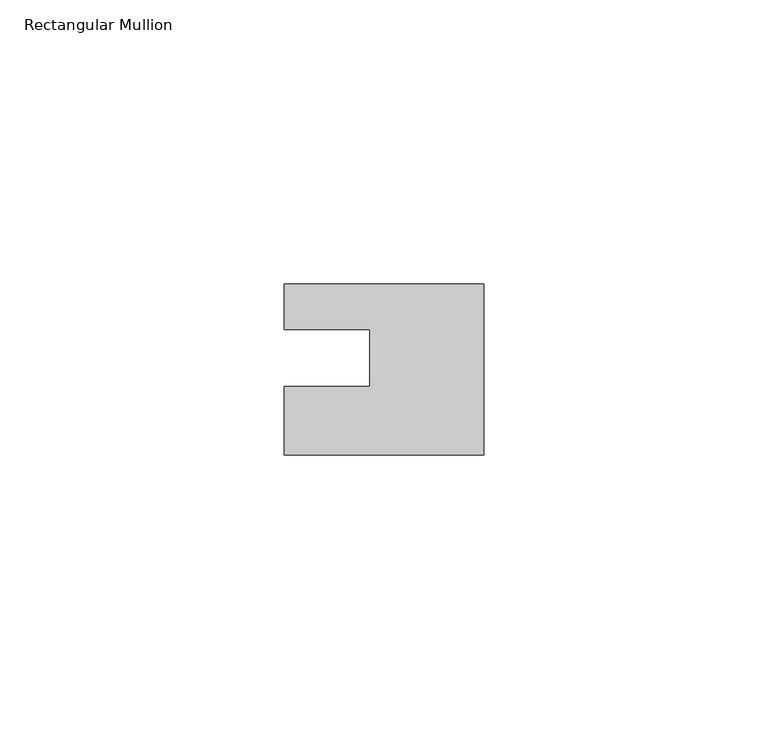
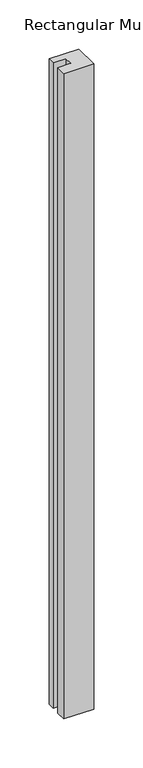
"""IFC4 building model written with IfcOpenShell, lengths in millimetres: member geometry, Rectangular Mullion."""

from ifc_helpers import new_model, si_unit, frame, origin, place, context, project, spatial, polyline, outline, extrude, source, transform, mapped, element, save


def rectangular_mullion_8fdf1af1(model_context):
    return source(origin(), model_context, "Body", "SweptSolid", [
        extrude(outline(polyline([(0.0, 7.94), (0.0, -22.06), (-35.0, -22.06), (-35.0, -10.0), (-20.0, -10.0), (-20.0, 0.001), (-35.0, 0.001), (-35.0, 7.94), (0.0, 7.94)])), frame((0.0, 0.0, -802.0), z_axis=(0.0, 0.0, 1.0), x_axis=(1.0, 0.0, 0.0)), (0.0, 0.0, 1.0), 802.0),
    ])


if __name__ == "__main__":
    model = new_model("IFC4")
    model_context = context("Model", 3, world=origin())
    ifc_project = project(units=[si_unit("LENGTHUNIT", "METRE", prefix="MILLI")], contexts=[model_context])
    site = spatial("IfcSite", under=ifc_project)
    building = spatial("IfcBuilding", under=site)
    placement = place(None, origin())
    rectangular_mullion_shape = rectangular_mullion_8fdf1af1(model_context)
    element("IfcMember", 1, ObjectType="Rectangular Mullion", at=placement, inside=building, context=model_context, shape_type="MappedRepresentation", body=[
        mapped(rectangular_mullion_shape, transform((0.0, 0.0, 0.0), x_axis=(1.0, 0.0, 0.0), y_axis=(0.0, 1.0, 0.0), z_axis=(0.0, 0.0, 1.0))),
    ])
    save(model, "model.ifc")
